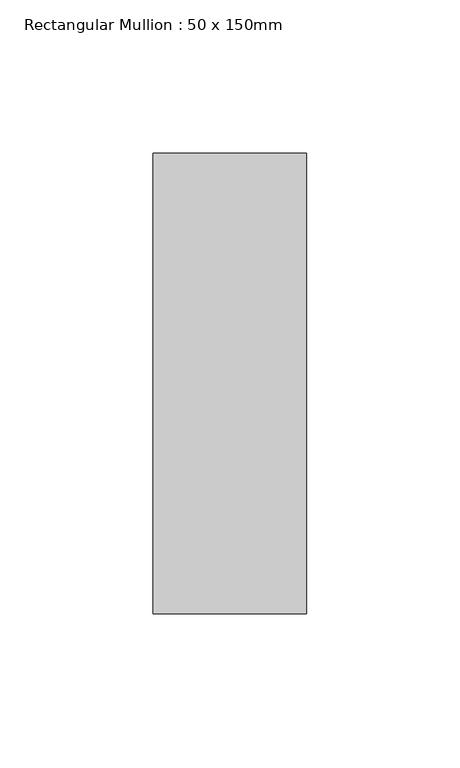
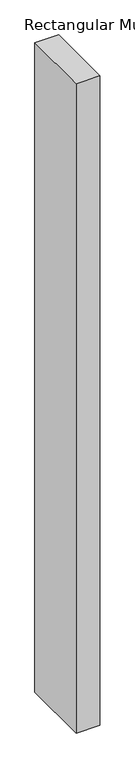
"""IFC4 building model written with IfcOpenShell, lengths in millimetres: member geometry, Rectangular Mullion : 50 x 150mm."""

from ifc_helpers import new_model, si_unit, frame, origin, place, context, project, spatial, polyline, outline, extrude, source, transform, mapped, element, save


def rectangular_mullion_50_x_150mm_e05d93ec(model_context):
    return source(origin(), model_context, "Body", "SweptSolid", [
        extrude(outline(polyline([(25.0, 75.0), (25.0, -75.0), (-25.0, -75.0), (-25.0, 75.0), (25.0, 75.0)])), frame((0.0, 0.0, -1442.9573923), z_axis=(0.0, 0.0, 1.0), x_axis=(1.0, 0.0, 0.0)), (0.0, 0.0, 1.0), 1442.9573923),
    ])


if __name__ == "__main__":
    model = new_model("IFC4")
    model_context = context("Model", 3, world=origin())
    ifc_project = project(units=[si_unit("LENGTHUNIT", "METRE", prefix="MILLI")], contexts=[model_context])
    site = spatial("IfcSite", under=ifc_project)
    building = spatial("IfcBuilding", under=site)
    placement = place(None, origin())
    rectangular_mullion_50_x_150mm_shape = rectangular_mullion_50_x_150mm_e05d93ec(model_context)
    element("IfcMember", 1, ObjectType="Rectangular Mullion : 50 x 150mm", at=placement, inside=building, context=model_context, shape_type="MappedRepresentation", body=[
        mapped(rectangular_mullion_50_x_150mm_shape, transform((0.0, 0.0, 0.0), x_axis=(1.0, 0.0, 0.0), y_axis=(0.0, 1.0, 0.0), z_axis=(0.0, 0.0, 1.0))),
    ])
    save(model, "model.ifc")
